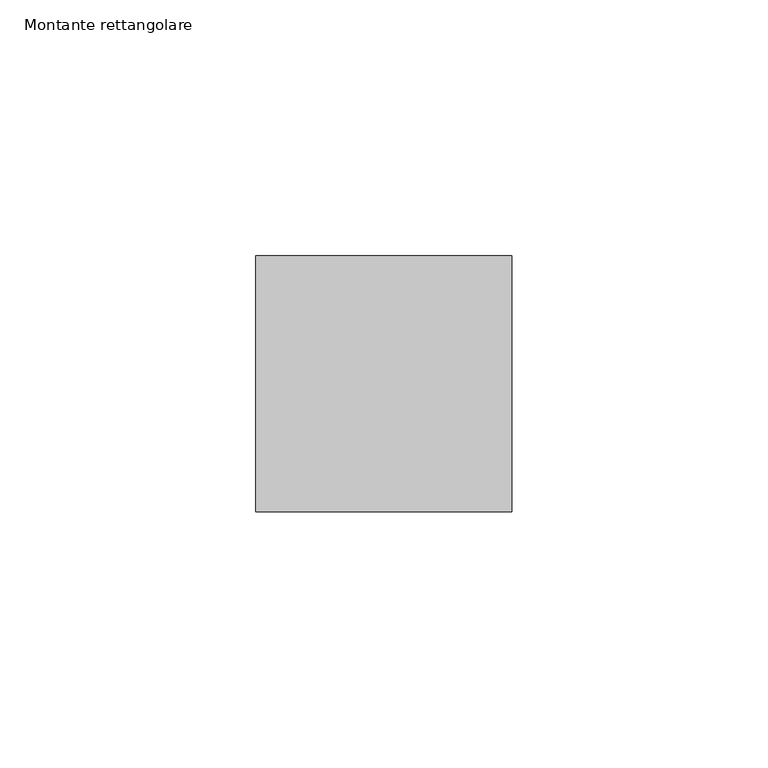
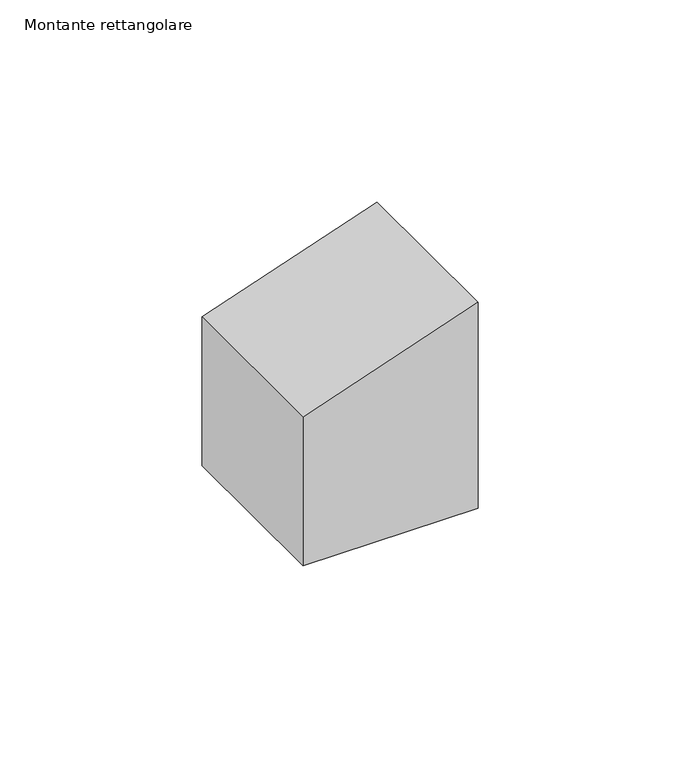
"""IFC4 building model written with IfcOpenShell, lengths in millimetres: member geometry, Montante rettangolare."""

import ifcopenshell
import ifcopenshell.guid

model = None  # the IFC model being written
_history = None  # IfcOwnerHistory: only IFC2X3 demands one
_inside = {}  # id of a spatial element -> (the spatial element, [elements in it])
_under = {}  # id of a project, library or spatial element -> (it, [spatial elements below it])
_declared = {}  # id of a project -> (the project, [libraries it declares])
_typed = {}  # id of a type object -> (the type object, [elements of that type])
_made_of = {}  # id of a material, layer set ... -> (it, [elements and type objects made of it])


def new_model(schema):
    """Start an empty IFC model of exactly this schema.

    Asked for "IFC4X3", IfcOpenShell would pick the latest addendum, in which some entities
    have other attributes; the version numbers below select the first issue.
    IFC2X3 requires an IfcOwnerHistory on every rooted entity: one is made here for all.
    """
    global model, _history
    if schema == "IFC4X3":
        model = ifcopenshell.file(schema_version=(4, 3, 0, 0))
    else:
        model = ifcopenshell.file(schema=schema)
    _inside.clear()
    _under.clear()
    _declared.clear()
    _typed.clear()
    _made_of.clear()
    _history = None
    if model.schema == "IFC2X3":
        org = make("IfcOrganization", Name="unknown")
        user = make(
            "IfcPersonAndOrganization",
            ThePerson=make("IfcPerson", FamilyName="unknown"),
            TheOrganization=org,
        )
        app = make(
            "IfcApplication",
            ApplicationDeveloper=org,
            Version="unknown",
            ApplicationFullName="unknown",
            ApplicationIdentifier="unknown",
        )
        _history = make(
            "IfcOwnerHistory",
            OwningUser=user,
            OwningApplication=app,
            ChangeAction="ADDED",
            CreationDate=0,
        )
    return model


def make(cls, **values):
    """One entity of the class cls with the attributes given. An attribute that is None is left unset."""
    return model.create_entity(
        cls, **{name: value for name, value in values.items() if value is not None}
    )


def rooted(cls, **values):
    """An entity with a GlobalId (a new one), such as an element, a storey or a relation."""
    return make(cls, GlobalId=ifcopenshell.guid.new(), OwnerHistory=_history, **values)


def si_unit(unit_type, name, prefix=None):
    """IfcSIUnit, for example si_unit("LENGTHUNIT", "METRE", prefix="MILLI")."""
    return make("IfcSIUnit", UnitType=unit_type, Prefix=prefix, Name=name)


def assignment(units):
    """IfcUnitAssignment: the units of a project."""
    return None if units is None else make("IfcUnitAssignment", Units=units)


def point(xyz):
    """IfcCartesianPoint."""
    return None if xyz is None else make("IfcCartesianPoint", Coordinates=xyz)


def direction(xyz):
    """IfcDirection."""
    return None if xyz is None else make("IfcDirection", DirectionRatios=xyz)


def frame(location, z_axis=None, x_axis=None):
    """IfcAxis2Placement3D, a coordinate frame: its origin and axes. An axis left out is left unset."""
    return make(
        "IfcAxis2Placement3D",
        Location=point(location),
        Axis=direction(z_axis),
        RefDirection=direction(x_axis),
    )


def origin():
    """The frame at (0, 0, 0) with its axes left unset."""
    return frame((0.0, 0.0, 0.0))


def place(relative_to, where):
    """IfcLocalPlacement: puts the frame where relative to a parent placement (None: the world)."""
    return make(
        "IfcLocalPlacement", PlacementRelTo=relative_to, RelativePlacement=where
    )


def context(
    kind, dimensions, precision=None, world=None, true_north=None, identifier=None
):
    """IfcGeometricRepresentationContext, for example the 3D "Model" context."""
    return make(
        "IfcGeometricRepresentationContext",
        ContextIdentifier=identifier,
        ContextType=kind,
        CoordinateSpaceDimension=dimensions,
        Precision=precision,
        WorldCoordinateSystem=world,
        TrueNorth=true_north,
    )


def project(units=None, contexts=None):
    """IfcProject with its units and contexts."""
    return rooted(
        "IfcProject",
        Name="project",
        RepresentationContexts=contexts,
        UnitsInContext=assignment(units),
    )


def spatial(cls, under=None, at=None, **own):
    """A site, building, storey or space (cls), placed at a placement, below another one or the project."""
    s = rooted(cls, ObjectPlacement=at, **own)
    if under is not None:
        _under.setdefault(under.id(), (under, []))[1].append(s)
    return s


def polyline(points):
    """IfcPolyline through the points."""
    return make("IfcPolyline", Points=[point(p) for p in points])


def outline(outer, holes=None, kind="AREA"):
    """IfcArbitraryClosedProfileDef: a profile drawn as a closed curve; with holes, ...WithVoids."""
    if holes is None:
        return make("IfcArbitraryClosedProfileDef", ProfileType=kind, OuterCurve=outer)
    return make(
        "IfcArbitraryProfileDefWithVoids",
        ProfileType=kind,
        OuterCurve=outer,
        InnerCurves=holes,
    )


def extrude(swept, where, along, depth):
    """IfcExtrudedAreaSolid: the profile swept, set in the frame where, extruded along a direction by depth."""
    return make(
        "IfcExtrudedAreaSolid",
        SweptArea=swept,
        Position=where,
        ExtrudedDirection=direction(along),
        Depth=depth,
    )


def shape(context_of_items, identifier, shape_type, items):
    """IfcShapeRepresentation: the items that make up one representation, for example the "Body"."""
    return make(
        "IfcShapeRepresentation",
        ContextOfItems=context_of_items,
        RepresentationIdentifier=identifier,
        RepresentationType=shape_type,
        Items=items,
    )


def source(mapping_origin, context_of_items, identifier, shape_type, items):
    """IfcRepresentationMap: a shape defined once, which mapped items show again and again."""
    return make(
        "IfcRepresentationMap",
        MappingOrigin=mapping_origin,
        MappedRepresentation=shape(context_of_items, identifier, shape_type, items),
    )


def transform(
    local_origin,
    x_axis=None,
    y_axis=None,
    z_axis=None,
    scale=None,
    scale2=None,
    scale3=None,
    uniform=True,
):
    """IfcCartesianTransformationOperator3D, or its non-uniform kind. x_axis, y_axis, z_axis: its Axis1, 2, 3."""
    if uniform:
        return make(
            "IfcCartesianTransformationOperator3D",
            Axis1=direction(x_axis),
            Axis2=direction(y_axis),
            LocalOrigin=point(local_origin),
            Scale=scale,
            Axis3=direction(z_axis),
        )
    return make(
        "IfcCartesianTransformationOperator3DnonUniform",
        Axis1=direction(x_axis),
        Axis2=direction(y_axis),
        LocalOrigin=point(local_origin),
        Scale=scale,
        Axis3=direction(z_axis),
        Scale2=scale2,
        Scale3=scale3,
    )


def mapped(mapping_source, mapping_target):
    """IfcMappedItem: shows the shape of a source again, moved by a transform."""
    return make(
        "IfcMappedItem", MappingSource=mapping_source, MappingTarget=mapping_target
    )


def made_of(thing, what):
    """Note that an element or type object is made of a material, layer set ...; save() writes the relation."""
    if what is not None:
        _made_of.setdefault(what.id(), (what, []))[1].append(thing)
    return thing


def element(
    cls,
    number,
    at=None,
    inside=None,
    cuts=None,
    type_object=None,
    material=None,
    context=None,
    identifier="Body",
    shape_type=None,
    held_by="IfcProductDefinitionShape",
    body=None,
    shapes=None,
    **own,
):
    """One element of the class cls, such as IfcWall. Its Tag is "e" and its number.

    at: its placement. inside: the storey or other place that contains it. cuts: it is an
    opening in that element (IfcRelVoidsElement). A single representation is given by context,
    identifier, shape_type and body (its items); several are given by shapes. held_by: the class
    of the entity that holds the representations. save() writes the other relations.
    """
    e = rooted(cls, Tag="e%d" % number, ObjectPlacement=at, **own)
    if body is not None:
        shapes = [shape(context, identifier, shape_type, body)]
    if shapes is not None:
        e.Representation = make(held_by, Representations=shapes)
    if inside is not None:
        _inside.setdefault(inside.id(), (inside, []))[1].append(e)
    if cuts is not None:
        rooted(
            "IfcRelVoidsElement", RelatingBuildingElement=cuts, RelatedOpeningElement=e
        )
    if type_object is not None:
        _typed.setdefault(type_object.id(), (type_object, []))[1].append(e)
    return made_of(e, material)


def aggregate(whole, parts):
    """IfcRelAggregates: a whole, such as a stair, and the parts it consists of."""
    return rooted("IfcRelAggregates", RelatingObject=whole, RelatedObjects=parts)


def save(model, path):
    """Write the relations noted so far, then the file.

    IfcRelAggregates (storeys below a building ...), IfcRelContainedInSpatialStructure (elements
    in a storey), IfcRelDefinesByType, IfcRelAssociatesMaterial and IfcRelDeclares: one each for
    every whole, place, type object, material and project.
    """
    for whole, parts in _under.values():
        aggregate(whole, parts)
    for where, things in _inside.values():
        rooted(
            "IfcRelContainedInSpatialStructure",
            RelatedElements=things,
            RelatingStructure=where,
        )
    for kind, things in _typed.values():
        rooted("IfcRelDefinesByType", RelatedObjects=things, RelatingType=kind)
    for what, things in _made_of.values():
        rooted("IfcRelAssociatesMaterial", RelatedObjects=things, RelatingMaterial=what)
    for by, libraries in _declared.values():
        rooted("IfcRelDeclares", RelatingContext=by, RelatedDefinitions=libraries)
    model.write(path)


def montante_rettangolare_7264b43d(model_context):
    return source(origin(), model_context, "Body", "SweptSolid", [
        extrude(outline(polyline([(0.0, 0.0), (-17.1916615, -50.0), (-62.1199893, -50.0), (-62.1199893, 0.0), (0.0, 0.0)])), frame((0.0, -25.0, 0.0), z_axis=(0.0, 1.0, 0.0), x_axis=(0.0, 0.0, 1.0)), (0.0, 0.0, 1.0), 50.0),
    ])


if __name__ == "__main__":
    model = new_model("IFC4")
    model_context = context("Model", 3, world=origin())
    ifc_project = project(units=[si_unit("LENGTHUNIT", "METRE", prefix="MILLI")], contexts=[model_context])
    site = spatial("IfcSite", under=ifc_project)
    building = spatial("IfcBuilding", under=site)
    placement = place(None, origin())
    montante_rettangolare_shape = montante_rettangolare_7264b43d(model_context)
    element("IfcMember", 1, ObjectType="Montante rettangolare", at=placement, inside=building, context=model_context, shape_type="MappedRepresentation", body=[
        mapped(montante_rettangolare_shape, transform((0.0, 0.0, 0.0), x_axis=(1.0, 0.0, 0.0), y_axis=(0.0, 1.0, 0.0), z_axis=(0.0, 0.0, 1.0))),
    ])
    save(model, "model.ifc")
